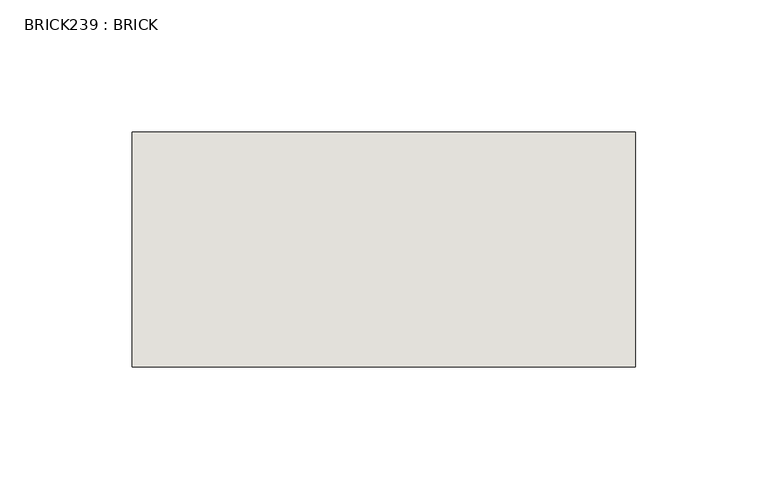
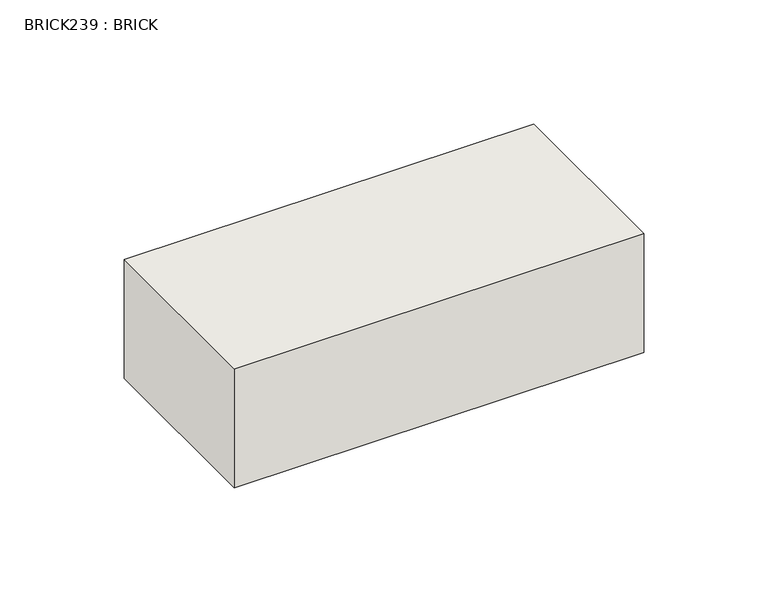
"""IFC4 building model written with IfcOpenShell, lengths in millimetres: wall geometry, BRICK239 : BRICK."""

from ifc_helpers import new_model, si_unit, frame, origin, place, context, project, spatial, polyline, outline, extrude, source, transform, mapped, element, save


def brick239_brick_cfd1cf88(model_context):
    return source(origin(), model_context, "Body", "SweptSolid", [
        extrude(outline(polyline([(-1784.7316239, 3062.3923312), (-1594.2316239, 3062.3923312), (-1594.2316239, 2973.4923312), (-1784.7316239, 2973.4923312), (-1784.7316239, 3062.3923312)])), frame((0.0, 0.0, 353.7148438), z_axis=(0.0, 0.0, 1.0), x_axis=(1.0, 0.0, 0.0)), (0.0, 0.0, 1.0), 58.4398437),
    ])


if __name__ == "__main__":
    model = new_model("IFC4")
    model_context = context("Model", 3, world=origin())
    ifc_project = project(units=[si_unit("LENGTHUNIT", "METRE", prefix="MILLI")], contexts=[model_context])
    site = spatial("IfcSite", under=ifc_project)
    building = spatial("IfcBuilding", under=site)
    placement = place(None, origin())
    brick239_brick_shape = brick239_brick_cfd1cf88(model_context)
    element("IfcWall", 1, ObjectType="BRICK239 : BRICK", at=placement, inside=building, context=model_context, shape_type="MappedRepresentation", body=[
        mapped(brick239_brick_shape, transform((0.0, 0.0, 0.0), x_axis=(1.0, 0.0, 0.0), y_axis=(0.0, 1.0, 0.0), z_axis=(0.0, 0.0, 1.0))),
    ])
    save(model, "model.ifc")
